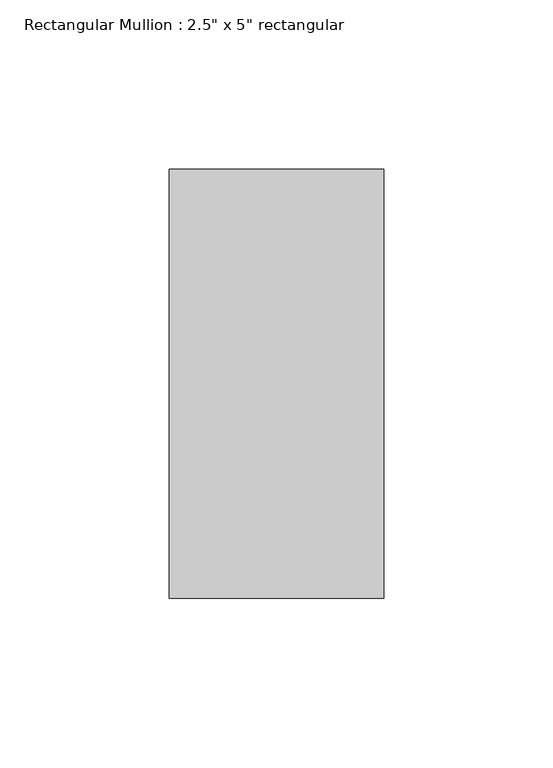
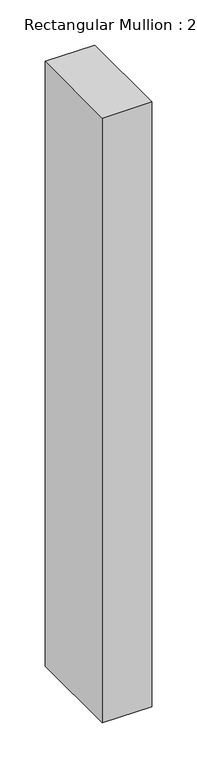
"""IFC4 building model written with IfcOpenShell, lengths in millimetres: member geometry."""

from ifc_helpers import new_model, si_unit, frame, origin, place, context, project, spatial, polyline, outline, extrude, source, transform, mapped, element, save


def member_152a0144(model_context):
    return source(origin(), model_context, "Body", "SweptSolid", [
        extrude(outline(polyline([(31.75, 63.5), (31.75, -63.5), (-31.75, -63.5), (-31.75, 63.5), (31.75, 63.5)])), frame((0.0, 0.0, -820.0), z_axis=(0.0, 0.0, 1.0), x_axis=(1.0, 0.0, 0.0)), (0.0, 0.0, 1.0), 820.0),
    ])


if __name__ == "__main__":
    model = new_model("IFC4")
    model_context = context("Model", 3, world=origin())
    ifc_project = project(units=[si_unit("LENGTHUNIT", "METRE", prefix="MILLI")], contexts=[model_context])
    site = spatial("IfcSite", under=ifc_project)
    building = spatial("IfcBuilding", under=site)
    placement = place(None, origin())
    member_shape = member_152a0144(model_context)
    element("IfcMember", 1, ObjectType="Rectangular Mullion : 2.5\" x 5\" rectangular", at=placement, inside=building, context=model_context, shape_type="MappedRepresentation", body=[
        mapped(member_shape, transform((0.0, 0.0, 0.0), x_axis=(1.0, 0.0, 0.0), y_axis=(0.0, 1.0, 0.0), z_axis=(0.0, 0.0, 1.0))),
    ])
    save(model, "model.ifc")
